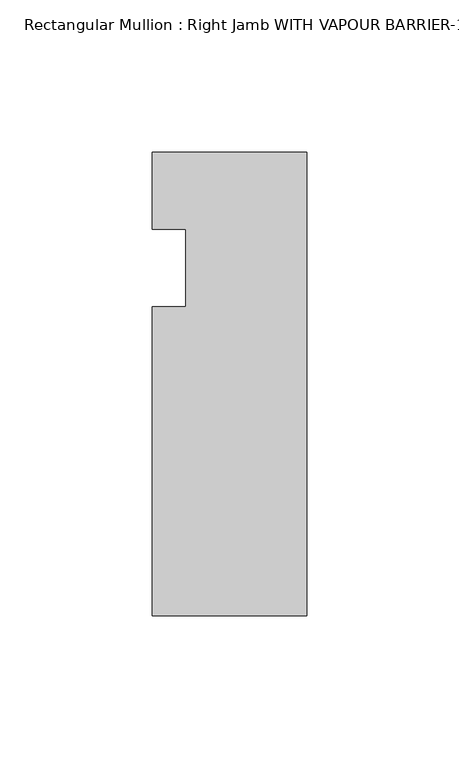
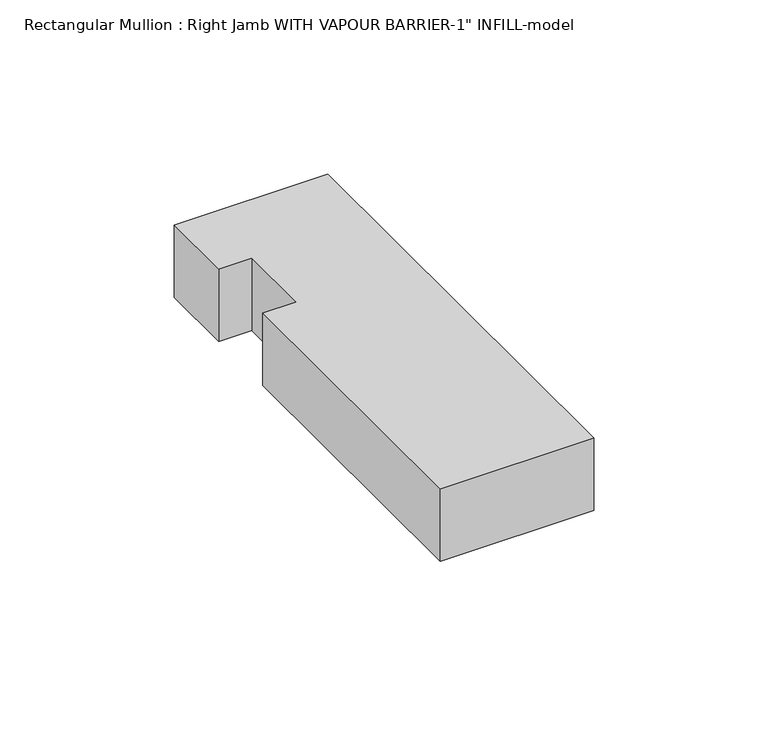
"""IFC4 building model written with IfcOpenShell, lengths in millimetres: member geometry."""

from ifc_helpers import new_model, si_unit, frame, origin, place, context, project, spatial, polyline, outline, extrude, source, transform, mapped, element, save


def member_b6e529fb(model_context):
    return source(origin(), model_context, "Body", "SweptSolid", [
        extrude(outline(polyline([(-50.8, -146.05), (-50.8, -44.45), (-39.8272, -44.45), (-39.8272, -19.05), (-50.8, -19.05), (-50.8, 6.35), (0.0, 6.35), (0.0, -146.05), (-50.8, -146.05)])), frame((0.0, 0.0, -25.4), z_axis=(0.0, 0.0, 1.0), x_axis=(1.0, 0.0, 0.0)), (0.0, 0.0, 1.0), 25.4),
    ])


if __name__ == "__main__":
    model = new_model("IFC4")
    model_context = context("Model", 3, world=origin())
    ifc_project = project(units=[si_unit("LENGTHUNIT", "METRE", prefix="MILLI")], contexts=[model_context])
    site = spatial("IfcSite", under=ifc_project)
    building = spatial("IfcBuilding", under=site)
    placement = place(None, origin())
    member_shape = member_b6e529fb(model_context)
    element("IfcMember", 1, ObjectType="Rectangular Mullion : Right Jamb WITH VAPOUR BARRIER-1\" INFILL-model", at=placement, inside=building, context=model_context, shape_type="MappedRepresentation", body=[
        mapped(member_shape, transform((0.0, 0.0, 0.0), x_axis=(1.0, 0.0, 0.0), y_axis=(0.0, 1.0, 0.0), z_axis=(0.0, 0.0, 1.0))),
    ])
    save(model, "model.ifc")
